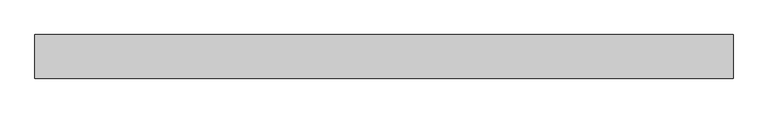
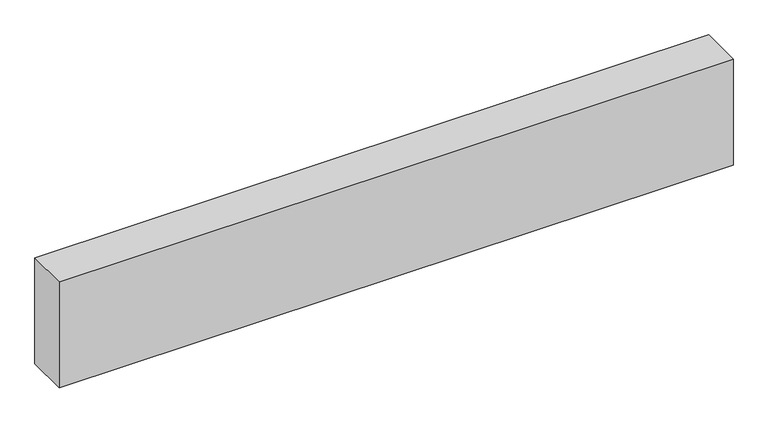
"""IFC4 building model written with IfcOpenShell, lengths in millimetres: proxy geometry."""

from ifc_helpers import new_model, si_unit, origin, origin_with_axes, place, context, project, spatial, polyline, outline, extrude, source, transform, mapped, element, save


def generic_models_584ea270(model_context):
    return source(origin(), model_context, "Body", "SweptSolid", [
        extrude(outline(polyline([(2438.4, 76.2), (2438.4, -76.2), (0.0, -76.2), (0.0, 76.2), (2438.4, 76.2)])), origin_with_axes(), (0.0, 0.0, 1.0), 406.4),
    ])


if __name__ == "__main__":
    model = new_model("IFC4")
    model_context = context("Model", 3, world=origin())
    ifc_project = project(units=[si_unit("LENGTHUNIT", "METRE", prefix="MILLI")], contexts=[model_context])
    site = spatial("IfcSite", under=ifc_project)
    building = spatial("IfcBuilding", under=site)
    placement = place(None, origin())
    generic_models_shape = generic_models_584ea270(model_context)
    element("IfcBuildingElementProxy", 1, Name="Generic Models", at=placement, inside=building, context=model_context, shape_type="MappedRepresentation", body=[
        mapped(generic_models_shape, transform((0.0, 0.0, 0.0), x_axis=(1.0, 0.0, 0.0), y_axis=(0.0, 1.0, 0.0), z_axis=(0.0, 0.0, 1.0))),
    ])
    save(model, "model.ifc")
